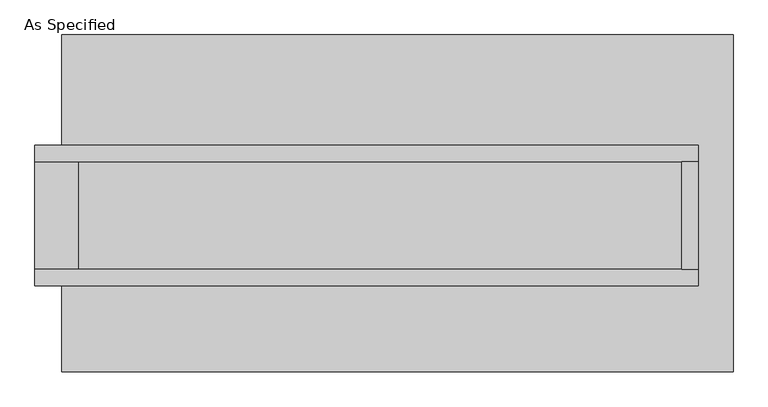
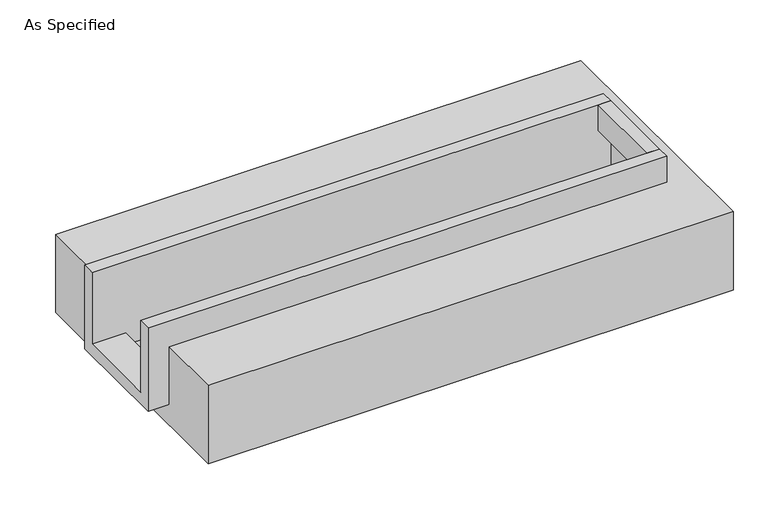
"""IFC4 building model written with IfcOpenShell, lengths in millimetres: proxy geometry, As Specified."""

from ifc_helpers import new_model, si_unit, frame, origin, place, context, project, spatial, polyline, outline, extrude, faceted_brep, source, transform, mapped, element, save


def as_specified_c8800d75(model_context):
    return source(origin(), model_context, "Body", "SolidModel", [
        extrude(outline(polyline([(1339.85, 196.85), (1416.05, 196.85), (1416.05, -311.15), (1339.85, -311.15), (1339.85, 196.85)])), frame((0.0, 0.0, -25.4), z_axis=(0.0, 0.0, 1.0), x_axis=(1.0, 0.0, 0.0)), (0.0, 0.0, 1.0), 165.1),
        faceted_brep([(1416.05, 196.85, 139.7), (1416.05, 196.85, -317.5), (1416.05, -311.15, -317.5), (1416.05, -311.15, 139.7), (1416.05, -387.35, 139.7), (1416.05, -387.35, -393.7), (1416.05, 273.05, -393.7), (1416.05, 273.05, 139.7), (-1708.15, 196.85, 139.7), (-1708.15, 273.05, 139.7), (-1708.15, 273.05, -393.7), (-1708.15, -387.35, -393.7), (-1708.15, -387.35, 139.7), (-1708.15, -311.15, 139.7), (-1708.15, -311.15, -317.5), (-1708.15, 196.85, -317.5), (-1504.95, 196.85, -393.7), (-1504.95, -311.15, -393.7), (1339.85, -311.15, -393.7), (1339.85, 196.85, -393.7), (1339.85, -311.15, -317.5), (-1504.95, -311.15, -317.5), (1339.85, 196.85, -317.5), (-1504.95, 196.85, -317.5)], [[[0, 1, 2, 3, 4, 5, 6, 7]], [[8, 9, 10, 11, 12, 13, 14, 15]], [[0, 7, 9, 8]], [[7, 6, 10, 9]], [[6, 5, 11, 10], [16, 17, 18, 19]], [[4, 3, 13, 12]], [[3, 2, 20, 18, 17, 21, 14, 13]], [[2, 1, 22, 20]], [[15, 14, 21, 23]], [[1, 0, 8, 15, 23, 16, 19, 22]], [[21, 17, 16, 23]], [[18, 20, 22, 19]], [[5, 4, 12, 11]]]),
        faceted_brep([(-1581.15, 793.75, -523.9742188), (1581.15, 793.75, -523.9742188), (1581.15, -793.75, -523.9742188), (-1581.15, -793.75, -523.9742188), (1581.15, 793.75, -25.4), (-1581.15, 793.75, -25.4), (-1581.15, 273.05, -25.4), (1416.05, 273.05, -25.4), (1416.05, -387.35, -25.4), (-1581.15, -387.35, -25.4), (-1581.15, -793.75, -25.4), (1581.15, -793.75, -25.4), (-1581.15, -387.35, -393.7), (-1581.15, 273.05, -393.7), (1416.05, 273.05, -393.7), (1416.05, -387.35, -393.7)], [[[0, 1, 2, 3]], [[4, 5, 6, 7, 8, 9, 10, 11]], [[1, 0, 5, 4]], [[5, 0, 3, 10, 9, 12, 13, 6]], [[1, 4, 11, 2]], [[3, 2, 11, 10]], [[14, 15, 8, 7]], [[13, 14, 7, 6]], [[15, 14, 13, 12]], [[15, 12, 9, 8]]]),
    ])


if __name__ == "__main__":
    model = new_model("IFC4")
    model_context = context("Model", 3, world=origin())
    ifc_project = project(units=[si_unit("LENGTHUNIT", "METRE", prefix="MILLI")], contexts=[model_context])
    site = spatial("IfcSite", under=ifc_project)
    building = spatial("IfcBuilding", under=site)
    placement = place(None, origin())
    as_specified_shape = as_specified_c8800d75(model_context)
    element("IfcBuildingElementProxy", 1, Name="As Specified", ObjectType="As Specified", at=placement, inside=building, context=model_context, shape_type="MappedRepresentation", body=[
        mapped(as_specified_shape, transform((0.0, 0.0, 0.0), x_axis=(1.0, 0.0, 0.0), y_axis=(0.0, 1.0, 0.0), z_axis=(0.0, 0.0, 1.0))),
    ])
    save(model, "model.ifc")
